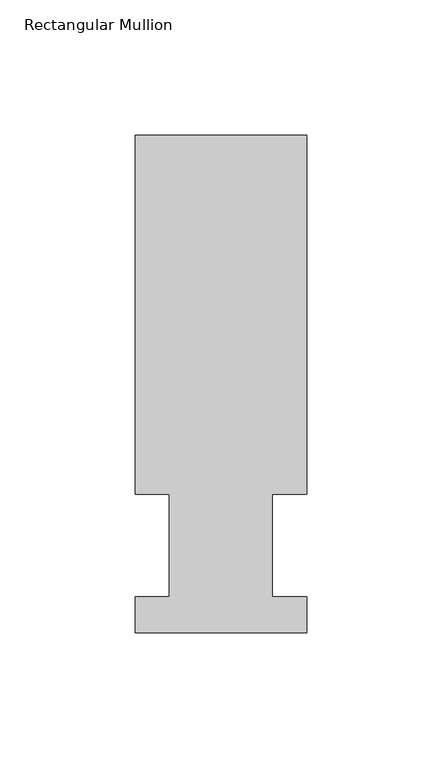
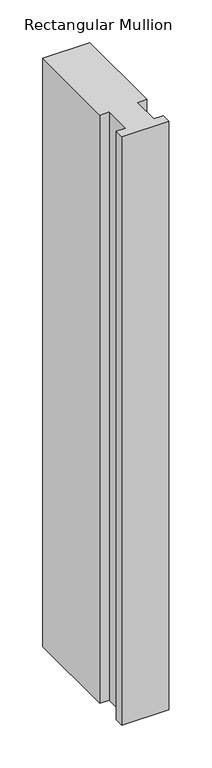
"""IFC4 building model written with IfcOpenShell, lengths in millimetres: member geometry, Rectangular Mullion."""

import ifcopenshell
import ifcopenshell.guid

model = None  # the IFC model being written
_history = None  # IfcOwnerHistory: only IFC2X3 demands one
_inside = {}  # id of a spatial element -> (the spatial element, [elements in it])
_under = {}  # id of a project, library or spatial element -> (it, [spatial elements below it])
_declared = {}  # id of a project -> (the project, [libraries it declares])
_typed = {}  # id of a type object -> (the type object, [elements of that type])
_made_of = {}  # id of a material, layer set ... -> (it, [elements and type objects made of it])


def new_model(schema):
    """Start an empty IFC model of exactly this schema.

    Asked for "IFC4X3", IfcOpenShell would pick the latest addendum, in which some entities
    have other attributes; the version numbers below select the first issue.
    IFC2X3 requires an IfcOwnerHistory on every rooted entity: one is made here for all.
    """
    global model, _history
    if schema == "IFC4X3":
        model = ifcopenshell.file(schema_version=(4, 3, 0, 0))
    else:
        model = ifcopenshell.file(schema=schema)
    _inside.clear()
    _under.clear()
    _declared.clear()
    _typed.clear()
    _made_of.clear()
    _history = None
    if model.schema == "IFC2X3":
        org = make("IfcOrganization", Name="unknown")
        user = make(
            "IfcPersonAndOrganization",
            ThePerson=make("IfcPerson", FamilyName="unknown"),
            TheOrganization=org,
        )
        app = make(
            "IfcApplication",
            ApplicationDeveloper=org,
            Version="unknown",
            ApplicationFullName="unknown",
            ApplicationIdentifier="unknown",
        )
        _history = make(
            "IfcOwnerHistory",
            OwningUser=user,
            OwningApplication=app,
            ChangeAction="ADDED",
            CreationDate=0,
        )
    return model


def make(cls, **values):
    """One entity of the class cls with the attributes given. An attribute that is None is left unset."""
    return model.create_entity(
        cls, **{name: value for name, value in values.items() if value is not None}
    )


def rooted(cls, **values):
    """An entity with a GlobalId (a new one), such as an element, a storey or a relation."""
    return make(cls, GlobalId=ifcopenshell.guid.new(), OwnerHistory=_history, **values)


def si_unit(unit_type, name, prefix=None):
    """IfcSIUnit, for example si_unit("LENGTHUNIT", "METRE", prefix="MILLI")."""
    return make("IfcSIUnit", UnitType=unit_type, Prefix=prefix, Name=name)


def assignment(units):
    """IfcUnitAssignment: the units of a project."""
    return None if units is None else make("IfcUnitAssignment", Units=units)


def point(xyz):
    """IfcCartesianPoint."""
    return None if xyz is None else make("IfcCartesianPoint", Coordinates=xyz)


def direction(xyz):
    """IfcDirection."""
    return None if xyz is None else make("IfcDirection", DirectionRatios=xyz)


def frame(location, z_axis=None, x_axis=None):
    """IfcAxis2Placement3D, a coordinate frame: its origin and axes. An axis left out is left unset."""
    return make(
        "IfcAxis2Placement3D",
        Location=point(location),
        Axis=direction(z_axis),
        RefDirection=direction(x_axis),
    )


def origin():
    """The frame at (0, 0, 0) with its axes left unset."""
    return frame((0.0, 0.0, 0.0))


def place(relative_to, where):
    """IfcLocalPlacement: puts the frame where relative to a parent placement (None: the world)."""
    return make(
        "IfcLocalPlacement", PlacementRelTo=relative_to, RelativePlacement=where
    )


def context(
    kind, dimensions, precision=None, world=None, true_north=None, identifier=None
):
    """IfcGeometricRepresentationContext, for example the 3D "Model" context."""
    return make(
        "IfcGeometricRepresentationContext",
        ContextIdentifier=identifier,
        ContextType=kind,
        CoordinateSpaceDimension=dimensions,
        Precision=precision,
        WorldCoordinateSystem=world,
        TrueNorth=true_north,
    )


def project(units=None, contexts=None):
    """IfcProject with its units and contexts."""
    return rooted(
        "IfcProject",
        Name="project",
        RepresentationContexts=contexts,
        UnitsInContext=assignment(units),
    )


def spatial(cls, under=None, at=None, **own):
    """A site, building, storey or space (cls), placed at a placement, below another one or the project."""
    s = rooted(cls, ObjectPlacement=at, **own)
    if under is not None:
        _under.setdefault(under.id(), (under, []))[1].append(s)
    return s


def polyline(points):
    """IfcPolyline through the points."""
    return make("IfcPolyline", Points=[point(p) for p in points])


def outline(outer, holes=None, kind="AREA"):
    """IfcArbitraryClosedProfileDef: a profile drawn as a closed curve; with holes, ...WithVoids."""
    if holes is None:
        return make("IfcArbitraryClosedProfileDef", ProfileType=kind, OuterCurve=outer)
    return make(
        "IfcArbitraryProfileDefWithVoids",
        ProfileType=kind,
        OuterCurve=outer,
        InnerCurves=holes,
    )


def extrude(swept, where, along, depth):
    """IfcExtrudedAreaSolid: the profile swept, set in the frame where, extruded along a direction by depth."""
    return make(
        "IfcExtrudedAreaSolid",
        SweptArea=swept,
        Position=where,
        ExtrudedDirection=direction(along),
        Depth=depth,
    )


def shape(context_of_items, identifier, shape_type, items):
    """IfcShapeRepresentation: the items that make up one representation, for example the "Body"."""
    return make(
        "IfcShapeRepresentation",
        ContextOfItems=context_of_items,
        RepresentationIdentifier=identifier,
        RepresentationType=shape_type,
        Items=items,
    )


def source(mapping_origin, context_of_items, identifier, shape_type, items):
    """IfcRepresentationMap: a shape defined once, which mapped items show again and again."""
    return make(
        "IfcRepresentationMap",
        MappingOrigin=mapping_origin,
        MappedRepresentation=shape(context_of_items, identifier, shape_type, items),
    )


def transform(
    local_origin,
    x_axis=None,
    y_axis=None,
    z_axis=None,
    scale=None,
    scale2=None,
    scale3=None,
    uniform=True,
):
    """IfcCartesianTransformationOperator3D, or its non-uniform kind. x_axis, y_axis, z_axis: its Axis1, 2, 3."""
    if uniform:
        return make(
            "IfcCartesianTransformationOperator3D",
            Axis1=direction(x_axis),
            Axis2=direction(y_axis),
            LocalOrigin=point(local_origin),
            Scale=scale,
            Axis3=direction(z_axis),
        )
    return make(
        "IfcCartesianTransformationOperator3DnonUniform",
        Axis1=direction(x_axis),
        Axis2=direction(y_axis),
        LocalOrigin=point(local_origin),
        Scale=scale,
        Axis3=direction(z_axis),
        Scale2=scale2,
        Scale3=scale3,
    )


def mapped(mapping_source, mapping_target):
    """IfcMappedItem: shows the shape of a source again, moved by a transform."""
    return make(
        "IfcMappedItem", MappingSource=mapping_source, MappingTarget=mapping_target
    )


def made_of(thing, what):
    """Note that an element or type object is made of a material, layer set ...; save() writes the relation."""
    if what is not None:
        _made_of.setdefault(what.id(), (what, []))[1].append(thing)
    return thing


def element(
    cls,
    number,
    at=None,
    inside=None,
    cuts=None,
    type_object=None,
    material=None,
    context=None,
    identifier="Body",
    shape_type=None,
    held_by="IfcProductDefinitionShape",
    body=None,
    shapes=None,
    **own,
):
    """One element of the class cls, such as IfcWall. Its Tag is "e" and its number.

    at: its placement. inside: the storey or other place that contains it. cuts: it is an
    opening in that element (IfcRelVoidsElement). A single representation is given by context,
    identifier, shape_type and body (its items); several are given by shapes. held_by: the class
    of the entity that holds the representations. save() writes the other relations.
    """
    e = rooted(cls, Tag="e%d" % number, ObjectPlacement=at, **own)
    if body is not None:
        shapes = [shape(context, identifier, shape_type, body)]
    if shapes is not None:
        e.Representation = make(held_by, Representations=shapes)
    if inside is not None:
        _inside.setdefault(inside.id(), (inside, []))[1].append(e)
    if cuts is not None:
        rooted(
            "IfcRelVoidsElement", RelatingBuildingElement=cuts, RelatedOpeningElement=e
        )
    if type_object is not None:
        _typed.setdefault(type_object.id(), (type_object, []))[1].append(e)
    return made_of(e, material)


def aggregate(whole, parts):
    """IfcRelAggregates: a whole, such as a stair, and the parts it consists of."""
    return rooted("IfcRelAggregates", RelatingObject=whole, RelatedObjects=parts)


def save(model, path):
    """Write the relations noted so far, then the file.

    IfcRelAggregates (storeys below a building ...), IfcRelContainedInSpatialStructure (elements
    in a storey), IfcRelDefinesByType, IfcRelAssociatesMaterial and IfcRelDeclares: one each for
    every whole, place, type object, material and project.
    """
    for whole, parts in _under.values():
        aggregate(whole, parts)
    for where, things in _inside.values():
        rooted(
            "IfcRelContainedInSpatialStructure",
            RelatedElements=things,
            RelatingStructure=where,
        )
    for kind, things in _typed.values():
        rooted("IfcRelDefinesByType", RelatedObjects=things, RelatingType=kind)
    for what, things in _made_of.values():
        rooted("IfcRelAssociatesMaterial", RelatedObjects=things, RelatingMaterial=what)
    for by, libraries in _declared.values():
        rooted("IfcRelDeclares", RelatingContext=by, RelatedDefinitions=libraries)
    model.write(path)


def rectangular_mullion_50bc75d1(model_context):
    return source(origin(), model_context, "Body", "SweptSolid", [
        extrude(outline(polyline([(-31.7499998, 184.2396938), (31.7499998, 184.2396938), (31.7499998, 51.2960938), (19.0499994, 51.2960938), (19.0499994, 13.1960938), (31.7499998, 13.1960938), (31.7499998, 0.0134938), (-31.7500002, 0.0134938), (-31.7500002, 13.1960938), (-19.0499998, 13.1960938), (-19.0499998, 51.2960938), (-31.7499998, 51.2960938), (-31.7499998, 184.2396938)])), frame((0.0, 0.0, -838.1999996), z_axis=(0.0, 0.0, 1.0), x_axis=(1.0, 0.0, 0.0)), (0.0, 0.0, 1.0), 838.1999996),
    ])


if __name__ == "__main__":
    model = new_model("IFC4")
    model_context = context("Model", 3, world=origin())
    ifc_project = project(units=[si_unit("LENGTHUNIT", "METRE", prefix="MILLI")], contexts=[model_context])
    site = spatial("IfcSite", under=ifc_project)
    building = spatial("IfcBuilding", under=site)
    placement = place(None, origin())
    rectangular_mullion_shape = rectangular_mullion_50bc75d1(model_context)
    element("IfcMember", 1, ObjectType="Rectangular Mullion", at=placement, inside=building, context=model_context, shape_type="MappedRepresentation", body=[
        mapped(rectangular_mullion_shape, transform((0.0, 0.0, 0.0), x_axis=(1.0, 0.0, 0.0), y_axis=(0.0, 1.0, 0.0), z_axis=(0.0, 0.0, 1.0))),
    ])
    save(model, "model.ifc")
